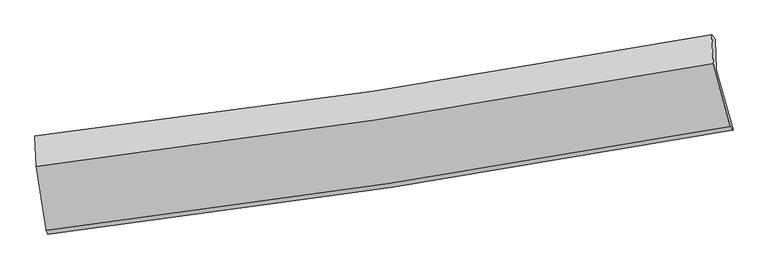
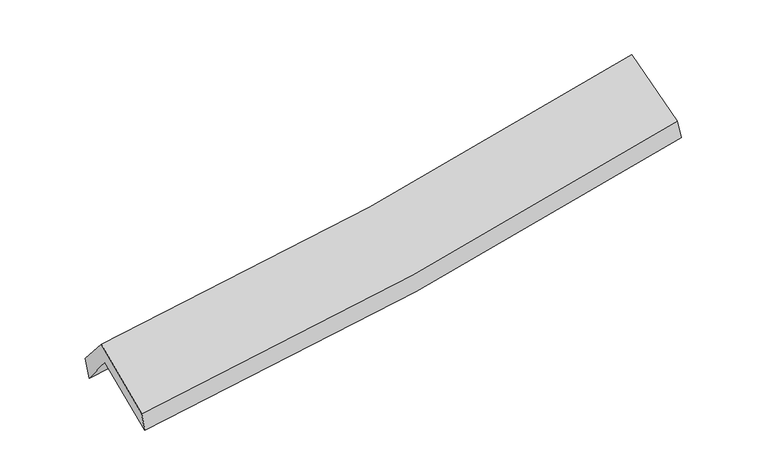
"""IFC4 building model written with IfcOpenShell, lengths in millimetres: proxy geometry."""

from ifc_helpers import new_model, si_unit, frame, origin, place, context, project, spatial, source, transform, mapped, element, save
from ifc_brep_helpers import plane_surface, spline_curve, spline_surface, advanced_brep


def generic_models_3dcae7e7(model_context):
    return source(origin(), model_context, "Body", "AdvancedBrep", [
        advanced_brep(
        [(-2783.4766852, -2518.6342567, 1482.0503182), (-2866.5284445, -1984.8431601, 1888.607191), (2799.1868552, -1144.0159582, 2395.9920203), (2938.700472, -1646.9743771, 1967.1901338), (-2875.8505954, -1739.6542827, 1578.3654585), (2790.0905875, -890.0595411, 2075.0478565), (-2891.2287924, -1699.9280771, 1767.1896179), (2761.844406, -852.1328026, 2262.6758143), (-2879.8815969, -1952.5349852, 2056.7668293), (2773.7559849, -1094.7241217, 2541.0262096), (-2796.2147303, -2486.1084049, 1639.1869649), (2915.4670249, -1620.057441, 2128.2711207)],
        [
            (0, 1),
            (1, 2, spline_curve(3, [(-2866.5284445, -1984.8431601, 1888.607191), (-1915.997778378, -1879.169766898, 1940.668112786), (-969.374215311, -1756.410249521, 2008.88266435), (919.223831209, -1476.249439775, 2177.902288332), (1861.172034867, -1318.733223532, 2278.816013384), (2799.1868552, -1144.0159582, 2395.9920203)], [4, 2, 4], [0.0, 9.467884852648389, 18.967557692659057])),
            (2, 3),
            (3, 0, spline_curve(3, [(2938.700472, -1646.9743771, 1967.1901338), (1991.108052377, -1821.235615387, 1851.696704187), (1039.658136109, -1981.10220952, 1753.48282783), (-867.760022529, -2271.559328452, 1591.885004955), (-1823.702491853, -2402.246027597, 1528.385609524), (-2783.4766852, -2518.6342567, 1482.0503182)], [4, 2, 4], [0.0, 9.499672840010668, 18.967557692659057])),
            (1, 4),
            (4, 5, spline_curve(3, [(-2875.8505954, -1739.6542827, 1578.3654585), (-1925.317930173, -1631.625408558, 1627.582479948), (-978.674605447, -1506.957995134, 1693.483815632), (909.998616132, -1223.871661438, 1858.932393486), (1852.002352246, -1065.340827891, 1958.591857014), (2790.0905875, -890.0595411, 2075.0478565)], [4, 2, 4], [0.0, 9.420869860328535, 18.873369857347846])),
            (5, 2),
            (4, 6),
            (6, 7, spline_curve(3, [(-2891.2287924, -1699.9280771, 1767.1896179), (-1943.508394731, -1589.655751539, 1818.401725759), (-999.342301199, -1464.014185855, 1885.202927032), (885.039338363, -1181.519137058, 2050.260137187), (1825.230977802, -1024.562278009, 2148.621001769), (2761.844406, -852.1328026, 2262.6758143)], [4, 2, 4], [0.0, 9.410432326267872, 18.852459745686595])),
            (7, 5),
            (6, 8),
            (8, 9, spline_curve(3, [(-2879.8815969, -1952.5349852, 2056.7668293), (-1932.205527346, -1837.31089631, 2102.335938064), (-988.014760537, -1708.357462411, 2165.37847641), (896.554542809, -1422.512854131, 2326.680740444), (1836.909636483, -1265.529333496, 2425.057995507), (2773.7559849, -1094.7241217, 2541.0262096)], [4, 2, 4], [0.0, 9.400430733389477, 18.832422980042328])),
            (9, 7),
            (8, 10),
            (10, 11, spline_curve(3, [(-2796.2147303, -2486.1084049, 1639.1869649), (-1838.321251897, -2369.831204003, 1685.283051925), (-884.192403891, -2239.665956413, 1748.990238704), (1019.726836185, -1951.075715084, 1911.8998353), (1969.491906405, -1792.557308294, 2011.220700289), (2915.4670249, -1620.057441, 2128.2711207)], [4, 2, 4], [0.0, 9.449563944476058, 18.93085436470895])),
            (11, 9),
            (10, 0),
            (3, 11),
        ],
        [
            spline_surface(3, 3, [[(-2783.4766852, -2518.6342567, 1482.0503182), (-1823.702491838, -2402.246027624, 1528.385609485), (-867.76002251, -2271.559328533, 1591.885004881), (1039.658136089, -1981.102209439, 1753.482827904), (1991.108052498, -1821.235615294, 1851.696704341), (2938.700472, -1646.9743771, 1967.1901338)], [(-2811.160604984, -2340.703891186, 1617.569275799), (-1854.467587332, -2227.887274108, 1665.813110603), (-901.631420129, -2099.842968828, 1730.884224665), (999.513367758, -1812.817952889, 1894.955981413), (1947.796046577, -1653.734818, 1994.069807366), (2892.195933068, -1479.321570784, 2110.124095943)], [(-2838.844524716, -2162.773525614, 1753.088233401), (-1885.232682773, -2053.528520534, 1803.240611722), (-935.502817664, -1928.126609168, 1869.883444457), (959.368599512, -1644.533696384, 2036.429134932), (1904.484040652, -1486.234020752, 2136.442910462), (2845.691394132, -1311.668764516, 2253.058058157)], [(-2866.5284445, -1984.8431601, 1888.607191), (-1915.997778266, -1879.169767018, 1940.66811284), (-969.374215284, -1756.410249462, 2008.882664241), (919.223831181, -1476.249439834, 2177.902288441), (1861.172034731, -1318.733223457, 2278.816013487), (2799.1868552, -1144.0159582, 2395.9920203)]], [4, 4], [4, 2, 4], [0.0, 2.199442634041584], [0.0, 9.467884852648389, 18.967557692659057]),
            spline_surface(3, 3, [[(-2866.5284445, -1984.8431601, 1888.607191), (-1915.997778266, -1879.169767018, 1940.66811284), (-969.374215284, -1756.410249462, 2008.882664241), (919.223831181, -1476.249439834, 2177.902288441), (1861.172034731, -1318.733223457, 2278.816013487), (2799.1868552, -1144.0159582, 2395.9920203)], [(-2869.635828138, -1903.113534296, 1785.19328019), (-1919.104495533, -1796.654980815, 1836.30623524), (-972.474345286, -1673.25949799, 1903.74971476), (916.14875949, -1392.123513772, 2071.578990095), (1858.115473911, -1234.269091588, 2172.074627983), (2796.154765968, -1059.363819166, 2289.010632376)], [(-2872.743211762, -1821.383908504, 1681.77936931), (-1922.211212785, -1714.140194624, 1731.944357569), (-975.574475354, -1590.108746458, 1798.616765237), (913.073687732, -1307.997587649, 1965.255691707), (1855.058913085, -1149.804959721, 2065.333242453), (2793.122676732, -974.711680134, 2182.029244424)], [(-2875.8505954, -1739.6542827, 1578.3654585), (-1925.317930052, -1631.625408422, 1627.58247997), (-978.674605356, -1506.957994985, 1693.483815756), (909.998616041, -1223.871661587, 1858.932393361), (1852.002352265, -1065.340827851, 1958.59185695), (2790.0905875, -890.0595411, 2075.0478565)]], [4, 4], [4, 2, 4], [0.0, 1.3272460109461195], [0.0, 9.420869860328535, 18.873369857347846]),
            spline_surface(3, 3, [[(-2875.8505954, -1739.6542827, 1578.3654585), (-1925.317930052, -1631.625408422, 1627.58247997), (-978.674605356, -1506.957994985, 1693.483815756), (909.998616041, -1223.871661587, 1858.932393361), (1852.002352265, -1065.340827851, 1958.59185695), (2790.0905875, -890.0595411, 2075.0478565)], [(-2880.976661049, -1726.412214155, 1641.306844943), (-1931.381418291, -1617.635522735, 1691.188895212), (-985.563837339, -1492.643391886, 1757.390186124), (901.67885682, -1209.754153432, 1922.708308001), (1843.078560722, -1051.7479779, 2021.934905185), (2780.675193654, -877.417294924, 2137.590509106)], [(-2886.102726751, -1713.170145645, 1704.248231457), (-1937.444906583, -1603.645637085, 1754.795310525), (-992.453069276, -1478.328788838, 1821.296556531), (893.359097645, -1195.63664533, 1986.48422268), (1834.154769217, -1038.155127975, 2085.277953404), (2771.259799846, -864.775048776, 2200.133161694)], [(-2891.2287924, -1699.9280771, 1767.1896179), (-1943.508394822, -1589.655751398, 1818.401725767), (-999.342301259, -1464.014185739, 1885.202926899), (885.039338424, -1181.519137175, 2050.26013732), (1825.230977675, -1024.562278023, 2148.621001639), (2761.844406, -852.1328026, 2262.6758143)]], [4, 4], [4, 2, 4], [0.0, 0.6480844974883333], [0.0, 9.410432326267872, 18.852459745686595]),
            spline_surface(3, 3, [[(-2891.2287924, -1699.9280771, 1767.1896179), (-1943.508394822, -1589.655751398, 1818.401725767), (-999.342301259, -1464.014185739, 1885.202926899), (885.039338424, -1181.519137175, 2050.26013732), (1825.230977675, -1024.562278023, 2148.621001639), (2761.844406, -852.1328026, 2262.6758143)], [(-2887.446393903, -1784.130379809, 1863.715355035), (-1939.740772339, -1672.207466391, 1913.046463229), (-995.566454351, -1545.461944681, 1978.594776735), (888.877739896, -1261.850376155, 2142.400338344), (1829.12386399, -1104.884629835, 2240.766666272), (2765.814932303, -932.996575653, 2355.459279385)], [(-2883.663995397, -1868.332682491, 1960.241092165), (-1935.973149846, -1754.759181356, 2007.691200685), (-991.790607459, -1626.909703554, 2071.986626598), (892.716141351, -1342.181615066, 2234.540539395), (1833.016750298, -1185.206981589, 2332.912330952), (2769.785458597, -1013.860348647, 2448.242744515)], [(-2879.8815969, -1952.5349852, 2056.7668293), (-1932.205527363, -1837.310896349, 2102.335938147), (-988.01476055, -1708.357462496, 2165.378476434), (896.554542823, -1422.512854046, 2326.680740419), (1836.909636613, -1265.529333401, 2425.057995585), (2773.7559849, -1094.7241217, 2541.0262096)]], [4, 4], [4, 2, 4], [0.0, 1.2119675788685298], [0.0, 9.400430733389477, 18.832422980042328]),
            spline_surface(3, 3, [[(-2879.8815969, -1952.5349852, 2056.7668293), (-1932.205527363, -1837.310896349, 2102.335938147), (-988.01476055, -1708.357462496, 2165.378476434), (896.554542823, -1422.512854046, 2326.680740419), (1836.909636613, -1265.529333401, 2425.057995585), (2773.7559849, -1094.7241217, 2541.0262096)], [(-2851.992641384, -2130.392791761, 1917.573541178), (-1900.910768912, -2014.817665561, 1963.318309378), (-953.407308316, -1885.460293764, 2026.582397237), (937.611973935, -1598.700474421, 2188.42043872), (1881.103726549, -1441.205325009, 2287.112230478), (2820.992998241, -1269.835228126, 2403.441179969)], [(-2824.103685816, -2308.250598339, 1778.380253022), (-1869.616010412, -2192.324434791, 1824.300680574), (-918.79985609, -2062.563125045, 1887.78631796), (978.669405038, -1774.888094809, 2050.160136941), (1925.297816462, -1616.881316639, 2149.166465362), (2868.230011559, -1444.946334574, 2265.856150331)], [(-2796.2147303, -2486.1084049, 1639.1869649), (-1838.321251961, -2369.831204003, 1685.283051805), (-884.192403855, -2239.665956313, 1748.990238762), (1019.72683615, -1951.075715185, 1911.899835241), (1969.491906397, -1792.557308247, 2011.220700255), (2915.4670249, -1620.057441, 2128.2711207)]], [4, 4], [4, 2, 4], [0.0, 2.2406581137978434], [0.0, 9.449563944476058, 18.93085436470895]),
            spline_surface(3, 3, [[(-2796.2147303, -2486.1084049, 1639.1869649), (-1838.321251961, -2369.831204003, 1685.283051805), (-884.192403855, -2239.665956313, 1748.990238762), (1019.72683615, -1951.075715185, 1911.899835241), (1969.491906397, -1792.557308247, 2011.220700255), (2915.4670249, -1620.057441, 2128.2711207)], [(-2791.968715242, -2496.950355493, 1586.808082653), (-1833.448331896, -2380.636145203, 1632.983904352), (-878.714943394, -2250.29708038, 1696.621827453), (1026.370602809, -1961.084546596, 1859.094166113), (1976.69728843, -1802.116743943, 1958.046034972), (2923.211507266, -1629.029753047, 2074.577458422)], [(-2787.722700258, -2507.792306107, 1534.429200447), (-1828.575411903, -2391.441086424, 1580.684756938), (-873.237482971, -2260.928204466, 1644.253416191), (1033.014369429, -1971.093378028, 1806.288497032), (1983.902670465, -1811.676179599, 1904.871369624), (2930.955989634, -1638.002065053, 2020.883796078)], [(-2783.4766852, -2518.6342567, 1482.0503182), (-1823.702491838, -2402.246027624, 1528.385609485), (-867.76002251, -2271.559328533, 1591.885004881), (1039.658136089, -1981.102209439, 1753.482827904), (1991.108052498, -1821.235615294, 1851.696704341), (2938.700472, -1646.9743771, 1967.1901338)]], [4, 4], [4, 2, 4], [0.0, 0.5308311975185404], [0.0, 9.506615006492726, 19.045148035055597]),
            plane_surface(frame((2829.8408884, -1207.9940403, 2228.3671925), z_axis=(0.9780192894840769, 0.17611307220341826, 0.11163536713844277), x_axis=(0.20749770485630334, -0.769209357413597, -0.604368816987382))),
            plane_surface(frame((-2848.8634741, -2063.6171945, 1735.3610633), z_axis=(-0.9922037232504666, -0.11054301046088025, -0.05755010344176083), x_axis=(-0.07913185691159139, 0.20205855873866857, 0.9761713415493078))),
        ],
        [
            (0, [[1, 2, 3, 4]]),
            (1, [[5, 6, 7, -2]]),
            (2, [[8, 9, 10, -6]]),
            (3, [[11, 12, 13, -9]]),
            (4, [[14, 15, 16, -12]]),
            (5, [[17, -4, 18, -15]]),
            (6, [[-16, -18, -3, -7, -10, -13]]),
            (7, [[-17, -14, -11, -8, -5, -1]]),
        ],
    ),
    ])


if __name__ == "__main__":
    model = new_model("IFC4")
    model_context = context("Model", 3, world=origin())
    ifc_project = project(units=[si_unit("LENGTHUNIT", "METRE", prefix="MILLI")], contexts=[model_context])
    site = spatial("IfcSite", under=ifc_project)
    building = spatial("IfcBuilding", under=site)
    placement = place(None, origin())
    generic_models_shape = generic_models_3dcae7e7(model_context)
    element("IfcBuildingElementProxy", 1, Name="Generic Models", at=placement, inside=building, context=model_context, shape_type="MappedRepresentation", body=[
        mapped(generic_models_shape, transform((0.0, 0.0, 0.0), x_axis=(1.0, 0.0, 0.0), y_axis=(0.0, 1.0, 0.0), z_axis=(0.0, 0.0, 1.0))),
    ])
    save(model, "model.ifc")
